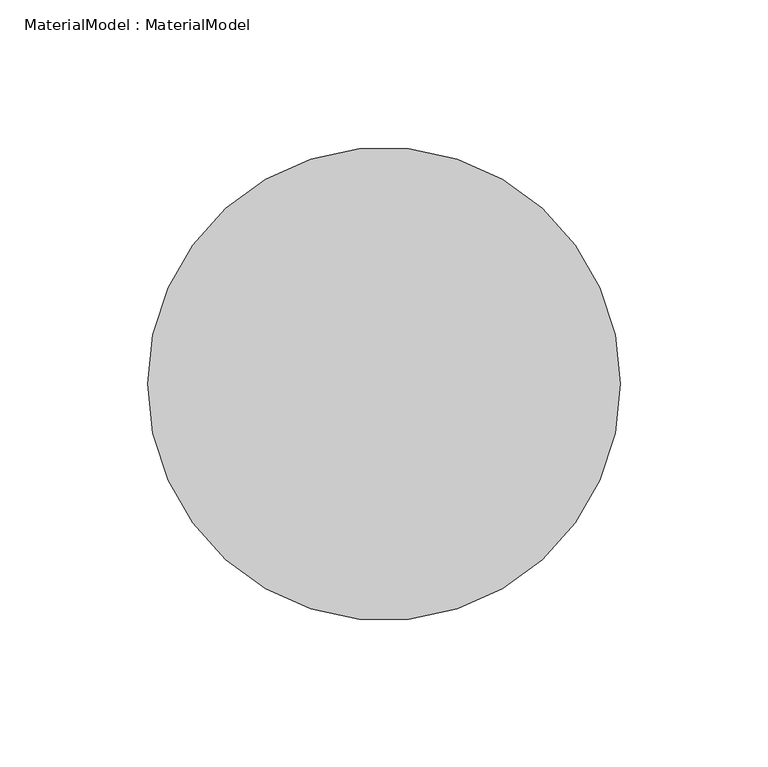
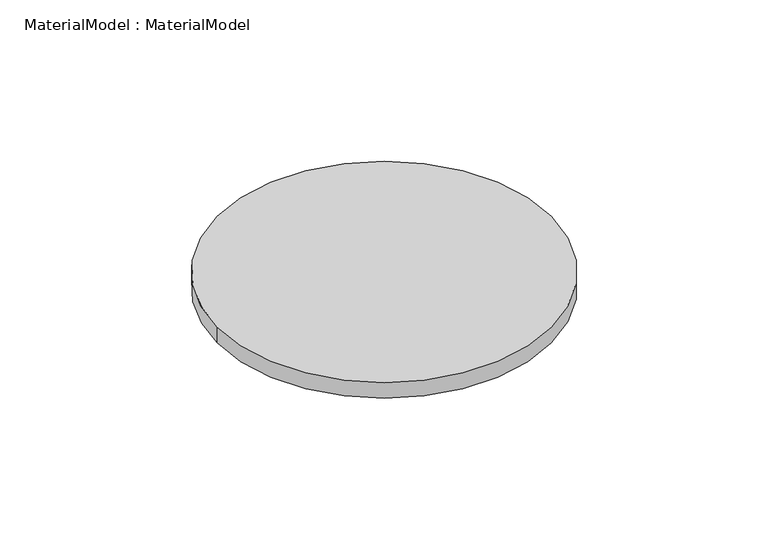
"""IFC4 building model written with IfcOpenShell, lengths in millimetres: proxy geometry, MaterialModel : MaterialModel."""

from ifc_helpers import new_model, si_unit, point, origin, origin_with_axes, origin_2d, place, context, project, spatial, circle_curve, trimmed, segment, composite_curve, outline, extrude, source, transform, mapped, element, save


def materialmodel_materialmodel_25687ae3(model_context):
    return source(origin(), model_context, "Body", "SweptSolid", [
        extrude(outline(composite_curve([segment(trimmed(circle_curve(origin_2d(), 80.0), [point((-80.0, 0.0))], [point((80.0, 0.0))], False, "CARTESIAN"), True, "CONTINUOUS"), segment(trimmed(circle_curve(origin_2d(), 80.0), [point((80.0, 0.0))], [point((-80.0, 0.0))], False, "CARTESIAN"), True, "CONTINUOUS")], self_intersect=False)), origin_with_axes(), (0.0, 0.0, 1.0), 7.9296802),
    ])


if __name__ == "__main__":
    model = new_model("IFC4")
    model_context = context("Model", 3, world=origin())
    ifc_project = project(units=[si_unit("LENGTHUNIT", "METRE", prefix="MILLI")], contexts=[model_context])
    site = spatial("IfcSite", under=ifc_project)
    building = spatial("IfcBuilding", under=site)
    placement = place(None, origin())
    materialmodel_materialmodel_shape = materialmodel_materialmodel_25687ae3(model_context)
    element("IfcBuildingElementProxy", 1, Name="MaterialModel : MaterialModel", ObjectType="MaterialModel : MaterialModel", at=placement, inside=building, context=model_context, shape_type="MappedRepresentation", body=[
        mapped(materialmodel_materialmodel_shape, transform((0.0, 0.0, 0.0), x_axis=(1.0, 0.0, 0.0), y_axis=(0.0, 1.0, 0.0), z_axis=(0.0, 0.0, 1.0))),
    ])
    save(model, "model.ifc")
